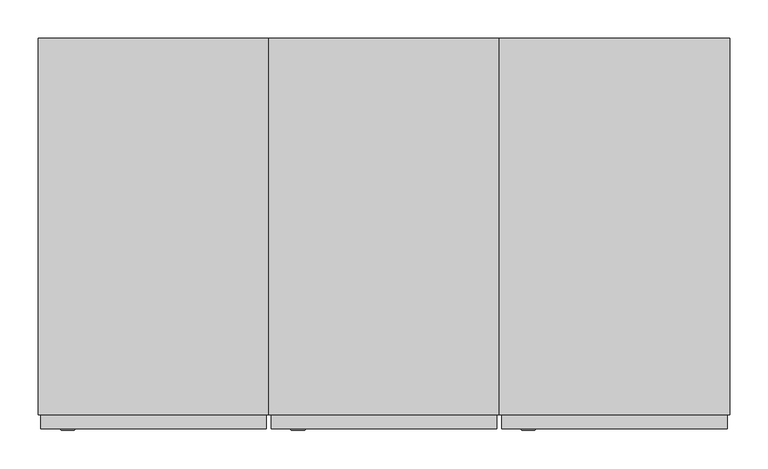
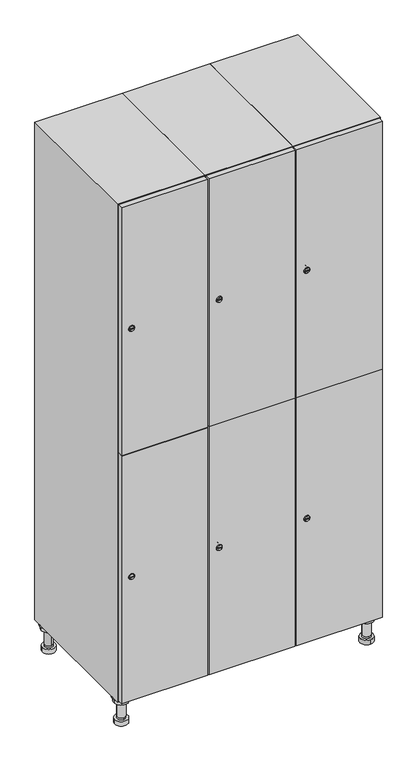
"""IFC4 building model written with IfcOpenShell, lengths in millimetres: furniture geometry."""

from ifc_helpers import new_model, si_unit, point, frame, frame_2d, origin, place, context, project, spatial, polyline, circle_curve, trimmed, segment, composite_curve, outline, extrude, faceted_brep, source, transform, mapped, element, save
from ifc_brep_helpers import plane_surface, cylinder_surface, revolved_surface, advanced_brep


def furniture_6eda93b2(model_context):
    return source(origin(), model_context, "Body", "SolidModel", [
        advanced_brep(
        [(670.0, -201.0, 22.0), (670.0, -201.5, 16.0), (670.0, -228.5, 16.0), (670.0, -229.0, 22.0), (656.0, -215.0, 22.0), (684.0, -215.0, 22.0), (670.0, -192.5, 16.0), (670.0, -237.5, 16.0), (670.0, -192.5, 0.0), (670.0, -237.5, 0.0), (684.0, -215.0, 78.0), (656.0, -215.0, 78.0), (695.0, -215.0, 78.0), (645.0, -215.0, 78.0), (700.0, -215.0, 94.0), (640.0, -215.0, 94.0), (645.0, -215.0, 94.0), (695.0, -215.0, 94.0), (700.0, -215.0, 100.0), (640.0, -215.0, 100.0)],
        [
            (0, 1),
            (1, 2, circle_curve(frame((670.0, -215.0, 16.0), z_axis=(0.0, 0.0, 1.0), x_axis=(0.0, -1.0, 0.0)), 13.5)),
            (2, 3),
            (3, 4, circle_curve(frame((670.0, -215.0, 22.0), z_axis=(0.0, 0.0, -1.0), x_axis=(0.0, -1.0, 0.0)), 14.0)),
            (4, 0, circle_curve(frame((670.0, -215.0, 22.0), z_axis=(0.0, 0.0, -1.0), x_axis=(0.0, -1.0, 0.0)), 14.0)),
            (0, 5, circle_curve(frame((670.0, -215.0, 22.0), z_axis=(0.0, 0.0, -1.0), x_axis=(0.0, 1.0, 0.0)), 14.0)),
            (5, 3, circle_curve(frame((670.0, -215.0, 22.0), z_axis=(0.0, 0.0, -1.0), x_axis=(0.0, 1.0, 0.0)), 14.0)),
            (2, 1, circle_curve(frame((670.0, -215.0, 16.0), z_axis=(0.0, 0.0, 1.0), x_axis=(0.0, 1.0, 0.0)), 13.5)),
            (6, 7, circle_curve(frame((670.0, -215.0, 16.0), z_axis=(0.0, 0.0, 1.0), x_axis=(0.0, -1.0, 0.0)), 22.5)),
            (7, 6, circle_curve(frame((670.0, -215.0, 16.0), z_axis=(0.0, 0.0, 1.0), x_axis=(0.0, -1.0, 0.0)), 22.5)),
            (8, 9, circle_curve(frame((670.0, -215.0, 0.0), z_axis=(0.0, 0.0, -1.0), x_axis=(0.0, -1.0, 0.0)), 22.5)),
            (9, 8, circle_curve(frame((670.0, -215.0, 0.0), z_axis=(0.0, 0.0, -1.0), x_axis=(0.0, -1.0, 0.0)), 22.5)),
            (6, 8),
            (9, 7),
            (5, 10),
            (10, 11, circle_curve(frame((670.0, -215.0, 78.0), z_axis=(0.0, 0.0, -1.0), x_axis=(-1.0, 0.0, 0.0)), 14.0)),
            (11, 4),
            (11, 10, circle_curve(frame((670.0, -215.0, 78.0), z_axis=(0.0, 0.0, -1.0), x_axis=(-1.0, 0.0, 0.0)), 14.0)),
            (12, 13, circle_curve(frame((670.0, -215.0, 78.0), z_axis=(0.0, 0.0, -1.0), x_axis=(-1.0, 0.0, 0.0)), 25.0)),
            (13, 12, circle_curve(frame((670.0, -215.0, 78.0), z_axis=(0.0, 0.0, -1.0), x_axis=(-1.0, 0.0, 0.0)), 25.0)),
            (14, 15, circle_curve(frame((670.0, -215.0, 94.0), z_axis=(0.0, 0.0, -1.0), x_axis=(-1.0, 0.0, 0.0)), 30.0)),
            (15, 14, circle_curve(frame((670.0, -215.0, 94.0), z_axis=(0.0, 0.0, -1.0), x_axis=(-1.0, 0.0, 0.0)), 30.0)),
            (16, 17, circle_curve(frame((670.0, -215.0, 94.0), z_axis=(0.0, 0.0, 1.0), x_axis=(-1.0, 0.0, 0.0)), 25.0)),
            (17, 16, circle_curve(frame((670.0, -215.0, 94.0), z_axis=(0.0, 0.0, 1.0), x_axis=(-1.0, 0.0, 0.0)), 25.0)),
            (18, 19, circle_curve(frame((670.0, -215.0, 100.0), z_axis=(0.0, 0.0, 1.0), x_axis=(-1.0, 0.0, 0.0)), 30.0)),
            (19, 18, circle_curve(frame((670.0, -215.0, 100.0), z_axis=(0.0, 0.0, 1.0), x_axis=(-1.0, 0.0, 0.0)), 30.0)),
            (14, 18),
            (19, 15),
            (12, 17),
            (16, 13),
        ],
        [
            revolved_surface(polyline([(670.0, -201.5, 16.0), (670.0, -201.0, 22.0)]), (670.0, -215.0, -146.0), (0.0, 0.0, 1.0)),
            plane_surface(frame((670.0, 0.0, 16.0), z_axis=(0.0, 0.0, 1.0), x_axis=(0.0, -1.0, 0.0))),
            plane_surface(frame((670.0, 0.0, 0.0), z_axis=(0.0, 0.0, -1.0), x_axis=(0.0, -1.0, 0.0))),
            cylinder_surface(frame((670.0, -215.0, 16.0), z_axis=(0.0, 0.0, 1.0), x_axis=(0.0, -1.0, 0.0)), 22.5),
            cylinder_surface(frame((670.0, -215.0, 22.0), z_axis=(0.0, 0.0, -1.0), x_axis=(-1.0, 0.0, 0.0)), 14.0),
            plane_surface(frame((670.0, 0.0, 78.0), z_axis=(0.0, 0.0, -1.0), x_axis=(0.0, -1.0, 0.0))),
            plane_surface(frame((670.0, 0.0, 94.0), z_axis=(0.0, 0.0, -1.0), x_axis=(0.0, -1.0, 0.0))),
            plane_surface(frame((670.0, 0.0, 100.0), z_axis=(0.0, 0.0, 1.0), x_axis=(0.0, -1.0, 0.0))),
            cylinder_surface(frame((670.0, -215.0, 94.0), z_axis=(0.0, 0.0, -1.0), x_axis=(-1.0, 0.0, 0.0)), 30.0),
            cylinder_surface(frame((670.0, -215.0, 78.0), z_axis=(0.0, 0.0, -1.0), x_axis=(-1.0, 0.0, 0.0)), 25.0),
        ],
        [
            (0, [[1, 2, 3, 4, 5]]),
            (0, [[-1, 6, 7, -3, 8]]),
            (1, [[9, 10], [-2, -8]]),
            (2, [[11, 12]]),
            (3, [[-9, 13, -12, 14]]),
            (3, [[-10, -14, -11, -13]]),
            (4, [[15, 16, 17, -4, -7]]),
            (4, [[-15, -6, -5, -17, 18]]),
            (5, [[19, 20], [-16, -18]]),
            (6, [[21, 22], [23, 24]]),
            (7, [[25, 26]]),
            (8, [[-21, 27, -26, 28]]),
            (8, [[-22, -28, -25, -27]]),
            (9, [[-19, 29, -23, 30]]),
            (9, [[-20, -30, -24, -29]]),
        ],
    ),
        advanced_brep(
        [(-170.0, -201.0, 22.0), (-170.0, -201.5, 16.0), (-170.0, -228.5, 16.0), (-170.0, -229.0, 22.0), (-184.0, -215.0, 22.0), (-156.0, -215.0, 22.0), (-147.5, -215.0, 0.0), (-192.5, -215.0, 0.0), (-147.5, -215.0, 16.0), (-192.5, -215.0, 16.0), (-156.0, -215.0, 78.0), (-184.0, -215.0, 78.0), (-145.0, -215.0, 78.0), (-195.0, -215.0, 78.0), (-140.0, -215.0, 94.0), (-200.0, -215.0, 94.0), (-195.0, -215.0, 94.0), (-145.0, -215.0, 94.0), (-140.0, -215.0, 100.0), (-200.0, -215.0, 100.0)],
        [
            (0, 1),
            (1, 2, circle_curve(frame((-170.0, -215.0, 16.0), z_axis=(0.0, 0.0, 1.0), x_axis=(0.0, -1.0, 0.0)), 13.5)),
            (2, 3),
            (3, 4, circle_curve(frame((-170.0, -215.0, 22.0), z_axis=(0.0, 0.0, -1.0), x_axis=(0.0, -1.0, 0.0)), 14.0)),
            (4, 0, circle_curve(frame((-170.0, -215.0, 22.0), z_axis=(0.0, 0.0, -1.0), x_axis=(0.0, -1.0, 0.0)), 14.0)),
            (0, 5, circle_curve(frame((-170.0, -215.0, 22.0), z_axis=(0.0, 0.0, -1.0), x_axis=(0.0, 1.0, 0.0)), 14.0)),
            (5, 3, circle_curve(frame((-170.0, -215.0, 22.0), z_axis=(0.0, 0.0, -1.0), x_axis=(0.0, 1.0, 0.0)), 14.0)),
            (2, 1, circle_curve(frame((-170.0, -215.0, 16.0), z_axis=(0.0, 0.0, 1.0), x_axis=(0.0, 1.0, 0.0)), 13.5)),
            (6, 7, circle_curve(frame((-170.0, -215.0, 0.0), z_axis=(0.0, 0.0, -1.0), x_axis=(-1.0, 0.0, 0.0)), 22.5)),
            (7, 6, circle_curve(frame((-170.0, -215.0, 0.0), z_axis=(0.0, 0.0, -1.0), x_axis=(-1.0, 0.0, 0.0)), 22.5)),
            (8, 9, circle_curve(frame((-170.0, -215.0, 16.0), z_axis=(0.0, 0.0, 1.0), x_axis=(-1.0, 0.0, 0.0)), 22.5)),
            (9, 8, circle_curve(frame((-170.0, -215.0, 16.0), z_axis=(0.0, 0.0, 1.0), x_axis=(-1.0, 0.0, 0.0)), 22.5)),
            (6, 8),
            (9, 7),
            (5, 10),
            (10, 11, circle_curve(frame((-170.0, -215.0, 78.0), z_axis=(0.0, 0.0, -1.0), x_axis=(-1.0, 0.0, 0.0)), 14.0)),
            (11, 4),
            (11, 10, circle_curve(frame((-170.0, -215.0, 78.0), z_axis=(0.0, 0.0, -1.0), x_axis=(-1.0, 0.0, 0.0)), 14.0)),
            (12, 13, circle_curve(frame((-170.0, -215.0, 78.0), z_axis=(0.0, 0.0, -1.0), x_axis=(-1.0, 0.0, 0.0)), 25.0)),
            (13, 12, circle_curve(frame((-170.0, -215.0, 78.0), z_axis=(0.0, 0.0, -1.0), x_axis=(-1.0, 0.0, 0.0)), 25.0)),
            (14, 15, circle_curve(frame((-170.0, -215.0, 94.0), z_axis=(0.0, 0.0, -1.0), x_axis=(-1.0, 0.0, 0.0)), 30.0)),
            (15, 14, circle_curve(frame((-170.0, -215.0, 94.0), z_axis=(0.0, 0.0, -1.0), x_axis=(-1.0, 0.0, 0.0)), 30.0)),
            (16, 17, circle_curve(frame((-170.0, -215.0, 94.0), z_axis=(0.0, 0.0, 1.0), x_axis=(-1.0, 0.0, 0.0)), 25.0)),
            (17, 16, circle_curve(frame((-170.0, -215.0, 94.0), z_axis=(0.0, 0.0, 1.0), x_axis=(-1.0, 0.0, 0.0)), 25.0)),
            (18, 19, circle_curve(frame((-170.0, -215.0, 100.0), z_axis=(0.0, 0.0, 1.0), x_axis=(-1.0, 0.0, 0.0)), 30.0)),
            (19, 18, circle_curve(frame((-170.0, -215.0, 100.0), z_axis=(0.0, 0.0, 1.0), x_axis=(-1.0, 0.0, 0.0)), 30.0)),
            (14, 18),
            (19, 15),
            (12, 17),
            (16, 13),
        ],
        [
            revolved_surface(polyline([(-170.0, -201.5, 16.0), (-170.0, -201.0, 22.0)]), (-170.0, -215.0, -146.0), (0.0, 0.0, 1.0)),
            plane_surface(frame((-170.0, 0.0, 0.0), z_axis=(0.0, 0.0, -1.0), x_axis=(0.0, -1.0, 0.0))),
            plane_surface(frame((-170.0, 0.0, 16.0), z_axis=(0.0, 0.0, 1.0), x_axis=(0.0, -1.0, 0.0))),
            cylinder_surface(frame((-170.0, -215.0, 0.0), z_axis=(0.0, 0.0, -1.0), x_axis=(-1.0, 0.0, 0.0)), 22.5),
            cylinder_surface(frame((-170.0, -215.0, 22.0), z_axis=(0.0, 0.0, -1.0), x_axis=(-1.0, 0.0, 0.0)), 14.0),
            plane_surface(frame((-170.0, 0.0, 78.0), z_axis=(0.0, 0.0, -1.0), x_axis=(0.0, -1.0, 0.0))),
            plane_surface(frame((-170.0, 0.0, 94.0), z_axis=(0.0, 0.0, -1.0), x_axis=(0.0, -1.0, 0.0))),
            plane_surface(frame((-170.0, 0.0, 100.0), z_axis=(0.0, 0.0, 1.0), x_axis=(0.0, -1.0, 0.0))),
            cylinder_surface(frame((-170.0, -215.0, 94.0), z_axis=(0.0, 0.0, -1.0), x_axis=(-1.0, 0.0, 0.0)), 30.0),
            cylinder_surface(frame((-170.0, -215.0, 78.0), z_axis=(0.0, 0.0, -1.0), x_axis=(-1.0, 0.0, 0.0)), 25.0),
        ],
        [
            (0, [[1, 2, 3, 4, 5]]),
            (0, [[-1, 6, 7, -3, 8]]),
            (1, [[9, 10]]),
            (2, [[11, 12], [-2, -8]]),
            (3, [[-9, 13, -12, 14]]),
            (3, [[-10, -14, -11, -13]]),
            (4, [[15, 16, 17, -4, -7]]),
            (4, [[-15, -6, -5, -17, 18]]),
            (5, [[19, 20], [-16, -18]]),
            (6, [[21, 22], [23, 24]]),
            (7, [[25, 26]]),
            (8, [[-21, 27, -26, 28]]),
            (8, [[-22, -28, -25, -27]]),
            (9, [[-19, 29, -23, 30]]),
            (9, [[-20, -30, -24, -29]]),
        ],
    ),
        advanced_brep(
        [(683.5, 215.0, 16.0), (684.0, 215.0, 22.0), (656.0, 215.0, 22.0), (656.5, 215.0, 16.0), (692.5, 215.0, 0.0), (647.5, 215.0, 0.0), (692.5, 215.0, 16.0), (647.5, 215.0, 16.0), (684.0, 215.0, 78.0), (656.0, 215.0, 78.0), (695.0, 215.0, 78.0), (645.0, 215.0, 78.0), (700.0, 215.0, 94.0), (640.0, 215.0, 94.0), (645.0, 215.0, 94.0), (695.0, 215.0, 94.0), (700.0, 215.0, 100.0), (640.0, 215.0, 100.0)],
        [
            (0, 1),
            (1, 2, circle_curve(frame((670.0, 215.0, 22.0), z_axis=(0.0, 0.0, -1.0), x_axis=(-1.0, 0.0, 0.0)), 14.0)),
            (2, 3),
            (3, 0, circle_curve(frame((670.0, 215.0, 16.0), z_axis=(0.0, 0.0, 1.0), x_axis=(-1.0, 0.0, 0.0)), 13.5)),
            (0, 3, circle_curve(frame((670.0, 215.0, 16.0), z_axis=(0.0, 0.0, 1.0), x_axis=(1.0, 0.0, 0.0)), 13.5)),
            (2, 1, circle_curve(frame((670.0, 215.0, 22.0), z_axis=(0.0, 0.0, -1.0), x_axis=(1.0, 0.0, 0.0)), 14.0)),
            (4, 5, circle_curve(frame((670.0, 215.0, 0.0), z_axis=(0.0, 0.0, -1.0), x_axis=(-1.0, 0.0, 0.0)), 22.5)),
            (5, 4, circle_curve(frame((670.0, 215.0, 0.0), z_axis=(0.0, 0.0, -1.0), x_axis=(-1.0, 0.0, 0.0)), 22.5)),
            (6, 7, circle_curve(frame((670.0, 215.0, 16.0), z_axis=(0.0, 0.0, 1.0), x_axis=(-1.0, 0.0, 0.0)), 22.5)),
            (7, 6, circle_curve(frame((670.0, 215.0, 16.0), z_axis=(0.0, 0.0, 1.0), x_axis=(-1.0, 0.0, 0.0)), 22.5)),
            (4, 6),
            (7, 5),
            (1, 8),
            (8, 9, circle_curve(frame((670.0, 215.0, 78.0), z_axis=(0.0, 0.0, -1.0), x_axis=(-1.0, 0.0, 0.0)), 14.0)),
            (9, 2),
            (9, 8, circle_curve(frame((670.0, 215.0, 78.0), z_axis=(0.0, 0.0, -1.0), x_axis=(-1.0, 0.0, 0.0)), 14.0)),
            (10, 11, circle_curve(frame((670.0, 215.0, 78.0), z_axis=(0.0, 0.0, -1.0), x_axis=(-1.0, 0.0, 0.0)), 25.0)),
            (11, 10, circle_curve(frame((670.0, 215.0, 78.0), z_axis=(0.0, 0.0, -1.0), x_axis=(-1.0, 0.0, 0.0)), 25.0)),
            (12, 13, circle_curve(frame((670.0, 215.0, 94.0), z_axis=(0.0, 0.0, -1.0), x_axis=(-1.0, 0.0, 0.0)), 30.0)),
            (13, 12, circle_curve(frame((670.0, 215.0, 94.0), z_axis=(0.0, 0.0, -1.0), x_axis=(-1.0, 0.0, 0.0)), 30.0)),
            (14, 15, circle_curve(frame((670.0, 215.0, 94.0), z_axis=(0.0, 0.0, 1.0), x_axis=(-1.0, 0.0, 0.0)), 25.0)),
            (15, 14, circle_curve(frame((670.0, 215.0, 94.0), z_axis=(0.0, 0.0, 1.0), x_axis=(-1.0, 0.0, 0.0)), 25.0)),
            (16, 17, circle_curve(frame((670.0, 215.0, 100.0), z_axis=(0.0, 0.0, 1.0), x_axis=(-1.0, 0.0, 0.0)), 30.0)),
            (17, 16, circle_curve(frame((670.0, 215.0, 100.0), z_axis=(0.0, 0.0, 1.0), x_axis=(-1.0, 0.0, 0.0)), 30.0)),
            (12, 16),
            (17, 13),
            (10, 15),
            (14, 11),
        ],
        [
            revolved_surface(polyline([(683.5, 215.0, 16.0), (684.0, 215.0, 22.0)]), (670.0, 215.0, -146.0), (0.0, 0.0, 1.0)),
            plane_surface(frame((670.0, 0.0, 0.0), z_axis=(0.0, 0.0, -1.0), x_axis=(0.0, -1.0, 0.0))),
            plane_surface(frame((670.0, 0.0, 16.0), z_axis=(0.0, 0.0, 1.0), x_axis=(0.0, -1.0, 0.0))),
            cylinder_surface(frame((670.0, 215.0, 0.0), z_axis=(0.0, 0.0, -1.0), x_axis=(-1.0, 0.0, 0.0)), 22.5),
            cylinder_surface(frame((670.0, 215.0, 22.0), z_axis=(0.0, 0.0, -1.0), x_axis=(-1.0, 0.0, 0.0)), 14.0),
            plane_surface(frame((670.0, 0.0, 78.0), z_axis=(0.0, 0.0, -1.0), x_axis=(0.0, -1.0, 0.0))),
            plane_surface(frame((670.0, 0.0, 94.0), z_axis=(0.0, 0.0, -1.0), x_axis=(0.0, -1.0, 0.0))),
            plane_surface(frame((670.0, 0.0, 100.0), z_axis=(0.0, 0.0, 1.0), x_axis=(0.0, -1.0, 0.0))),
            cylinder_surface(frame((670.0, 215.0, 94.0), z_axis=(0.0, 0.0, -1.0), x_axis=(-1.0, 0.0, 0.0)), 30.0),
            cylinder_surface(frame((670.0, 215.0, 78.0), z_axis=(0.0, 0.0, -1.0), x_axis=(-1.0, 0.0, 0.0)), 25.0),
        ],
        [
            (0, [[1, 2, 3, 4]]),
            (0, [[-1, 5, -3, 6]]),
            (1, [[7, 8]]),
            (2, [[9, 10], [-4, -5]]),
            (3, [[-7, 11, -10, 12]]),
            (3, [[-8, -12, -9, -11]]),
            (4, [[13, 14, 15, -2]]),
            (4, [[-13, -6, -15, 16]]),
            (5, [[17, 18], [-14, -16]]),
            (6, [[19, 20], [21, 22]]),
            (7, [[23, 24]]),
            (8, [[-19, 25, -24, 26]]),
            (8, [[-20, -26, -23, -25]]),
            (9, [[-17, 27, -21, 28]]),
            (9, [[-18, -28, -22, -27]]),
        ],
    ),
        advanced_brep(
        [(-156.5, 215.0, 16.0), (-156.0, 215.0, 22.0), (-170.0, 201.0, 22.0), (-184.0, 215.0, 22.0), (-183.5, 215.0, 16.0), (-170.0, 229.0, 22.0), (-147.5, 215.0, 0.0), (-192.5, 215.0, 0.0), (-147.5, 215.0, 16.0), (-192.5, 215.0, 16.0), (-170.0, 229.0, 78.0), (-170.0, 201.0, 78.0), (-145.0, 215.0, 78.0), (-195.0, 215.0, 78.0), (-140.0, 215.0, 94.0), (-200.0, 215.0, 94.0), (-195.0, 215.0, 94.0), (-145.0, 215.0, 94.0), (-140.0, 215.0, 100.0), (-200.0, 215.0, 100.0)],
        [
            (0, 1),
            (1, 2, circle_curve(frame((-170.0, 215.0, 22.0), z_axis=(0.0, 0.0, -1.0), x_axis=(-1.0, 0.0, 0.0)), 14.0)),
            (2, 3, circle_curve(frame((-170.0, 215.0, 22.0), z_axis=(0.0, 0.0, -1.0), x_axis=(-1.0, 0.0, 0.0)), 14.0)),
            (3, 4),
            (4, 0, circle_curve(frame((-170.0, 215.0, 16.0), z_axis=(0.0, 0.0, 1.0), x_axis=(-1.0, 0.0, 0.0)), 13.5)),
            (0, 4, circle_curve(frame((-170.0, 215.0, 16.0), z_axis=(0.0, 0.0, 1.0), x_axis=(1.0, 0.0, 0.0)), 13.5)),
            (3, 5, circle_curve(frame((-170.0, 215.0, 22.0), z_axis=(0.0, 0.0, -1.0), x_axis=(1.0, 0.0, 0.0)), 14.0)),
            (5, 1, circle_curve(frame((-170.0, 215.0, 22.0), z_axis=(0.0, 0.0, -1.0), x_axis=(1.0, 0.0, 0.0)), 14.0)),
            (6, 7, circle_curve(frame((-170.0, 215.0, 0.0), z_axis=(0.0, 0.0, -1.0), x_axis=(-1.0, 0.0, 0.0)), 22.5)),
            (7, 6, circle_curve(frame((-170.0, 215.0, 0.0), z_axis=(0.0, 0.0, -1.0), x_axis=(-1.0, 0.0, 0.0)), 22.5)),
            (8, 9, circle_curve(frame((-170.0, 215.0, 16.0), z_axis=(0.0, 0.0, 1.0), x_axis=(-1.0, 0.0, 0.0)), 22.5)),
            (9, 8, circle_curve(frame((-170.0, 215.0, 16.0), z_axis=(0.0, 0.0, 1.0), x_axis=(-1.0, 0.0, 0.0)), 22.5)),
            (6, 8),
            (9, 7),
            (10, 5),
            (2, 11),
            (11, 10, circle_curve(frame((-170.0, 215.0, 78.0), z_axis=(0.0, 0.0, -1.0), x_axis=(0.0, -1.0, 0.0)), 14.0)),
            (10, 11, circle_curve(frame((-170.0, 215.0, 78.0), z_axis=(0.0, 0.0, -1.0), x_axis=(0.0, -1.0, 0.0)), 14.0)),
            (12, 13, circle_curve(frame((-170.0, 215.0, 78.0), z_axis=(0.0, 0.0, -1.0), x_axis=(-1.0, 0.0, 0.0)), 25.0)),
            (13, 12, circle_curve(frame((-170.0, 215.0, 78.0), z_axis=(0.0, 0.0, -1.0), x_axis=(-1.0, 0.0, 0.0)), 25.0)),
            (14, 15, circle_curve(frame((-170.0, 215.0, 94.0), z_axis=(0.0, 0.0, -1.0), x_axis=(-1.0, 0.0, 0.0)), 30.0)),
            (15, 14, circle_curve(frame((-170.0, 215.0, 94.0), z_axis=(0.0, 0.0, -1.0), x_axis=(-1.0, 0.0, 0.0)), 30.0)),
            (16, 17, circle_curve(frame((-170.0, 215.0, 94.0), z_axis=(0.0, 0.0, 1.0), x_axis=(-1.0, 0.0, 0.0)), 25.0)),
            (17, 16, circle_curve(frame((-170.0, 215.0, 94.0), z_axis=(0.0, 0.0, 1.0), x_axis=(-1.0, 0.0, 0.0)), 25.0)),
            (18, 19, circle_curve(frame((-170.0, 215.0, 100.0), z_axis=(0.0, 0.0, 1.0), x_axis=(-1.0, 0.0, 0.0)), 30.0)),
            (19, 18, circle_curve(frame((-170.0, 215.0, 100.0), z_axis=(0.0, 0.0, 1.0), x_axis=(-1.0, 0.0, 0.0)), 30.0)),
            (14, 18),
            (19, 15),
            (12, 17),
            (16, 13),
        ],
        [
            revolved_surface(polyline([(-156.5, 215.0, 16.0), (-156.0, 215.0, 22.0)]), (-170.0, 215.0, -146.0), (0.0, 0.0, 1.0)),
            plane_surface(frame((-170.0, 0.0, 0.0), z_axis=(0.0, 0.0, -1.0), x_axis=(0.0, -1.0, 0.0))),
            plane_surface(frame((-170.0, 0.0, 16.0), z_axis=(0.0, 0.0, 1.0), x_axis=(0.0, -1.0, 0.0))),
            cylinder_surface(frame((-170.0, 215.0, 0.0), z_axis=(0.0, 0.0, -1.0), x_axis=(-1.0, 0.0, 0.0)), 22.5),
            cylinder_surface(frame((-170.0, 215.0, 78.0), z_axis=(0.0, 0.0, 1.0), x_axis=(0.0, -1.0, 0.0)), 14.0),
            plane_surface(frame((-170.0, 0.0, 78.0), z_axis=(0.0, 0.0, -1.0), x_axis=(0.0, -1.0, 0.0))),
            plane_surface(frame((-170.0, 0.0, 94.0), z_axis=(0.0, 0.0, -1.0), x_axis=(0.0, -1.0, 0.0))),
            plane_surface(frame((-170.0, 0.0, 100.0), z_axis=(0.0, 0.0, 1.0), x_axis=(0.0, -1.0, 0.0))),
            cylinder_surface(frame((-170.0, 215.0, 94.0), z_axis=(0.0, 0.0, -1.0), x_axis=(-1.0, 0.0, 0.0)), 30.0),
            cylinder_surface(frame((-170.0, 215.0, 78.0), z_axis=(0.0, 0.0, -1.0), x_axis=(-1.0, 0.0, 0.0)), 25.0),
        ],
        [
            (0, [[1, 2, 3, 4, 5]]),
            (0, [[-1, 6, -4, 7, 8]]),
            (1, [[9, 10]]),
            (2, [[11, 12], [-5, -6]]),
            (3, [[-9, 13, -12, 14]]),
            (3, [[-10, -14, -11, -13]]),
            (4, [[15, -7, -3, 16, 17]]),
            (4, [[-15, 18, -16, -2, -8]]),
            (5, [[19, 20], [-17, -18]]),
            (6, [[21, 22], [23, 24]]),
            (7, [[25, 26]]),
            (8, [[-21, 27, -26, 28]]),
            (8, [[-22, -28, -25, -27]]),
            (9, [[-19, 29, -23, 30]]),
            (9, [[-20, -30, -24, -29]]),
        ],
    ),
        extrude(outline(composite_curve([segment(trimmed(circle_curve(frame_2d((551.5, 411.2010534)), 7.0), [point((558.5, 411.2010534))], [point((544.5, 411.2010534))], False, "CARTESIAN"), True, "CONTINUOUS"), segment(polyline([(544.5, 411.2010534), (544.5, 439.2010534)]), True, "CONTINUOUS"), segment(trimmed(circle_curve(frame_2d((551.5, 439.2010534)), 7.0), [point((544.5, 439.2010534))], [point((558.5, 439.2010534))], False, "CARTESIAN"), True, "CONTINUOUS"), segment(polyline([(558.5, 439.2010534), (558.5, 411.2010534)]), True, "CONTINUOUS")], self_intersect=False)), frame((0.0, -245.0, 0.0), z_axis=(0.0, 1.0, 0.0), x_axis=(0.0, 0.0, 1.0)), (0.0, 0.0, 1.0), 2.0),
        advanced_brep(
        [(446.5, -265.2, 551.5), (429.5, -265.2, 551.5), (433.0, -265.2, 550.25), (433.0, -265.2, 552.75), (443.0, -265.2, 552.75), (443.0, -265.2, 550.25), (448.5, -263.0, 551.5), (427.5, -263.0, 551.5), (433.0, -263.0, 552.75), (433.0, -263.0, 550.25), (443.0, -263.0, 550.25), (443.0, -263.0, 552.75)],
        [
            (0, 1, circle_curve(frame((438.0, -265.2, 551.5), z_axis=(0.0, -1.0, 0.0), x_axis=(1.0, 0.0, 0.0)), 8.5)),
            (1, 0, circle_curve(frame((438.0, -265.2, 551.5), z_axis=(0.0, -1.0, 0.0), x_axis=(-1.0, 0.0, 0.0)), 8.5)),
            (2, 3),
            (3, 4),
            (4, 5),
            (5, 2),
            (6, 7, circle_curve(frame((438.0, -263.0, 551.5), z_axis=(0.0, 1.0, 0.0), x_axis=(-1.0, 0.0, 0.0)), 10.5)),
            (7, 6, circle_curve(frame((438.0, -263.0, 551.5), z_axis=(0.0, 1.0, 0.0), x_axis=(1.0, 0.0, 0.0)), 10.5)),
            (8, 9),
            (9, 10),
            (10, 11),
            (11, 8),
            (0, 6),
            (7, 1),
            (8, 3),
            (2, 9),
            (11, 4),
            (10, 5),
        ],
        [
            plane_surface(frame((438.0, -265.2, 551.5), z_axis=(0.0, -1.0, 0.0), x_axis=(0.0, 0.0, 1.0))),
            plane_surface(frame((438.0, -263.0, 551.5), z_axis=(0.0, 1.0, 0.0), x_axis=(0.0, 0.0, 1.0))),
            revolved_surface(polyline([(446.5, -265.2, 551.5), (448.5, -263.0, 551.5)]), (438.0, -274.55, 551.5), (0.0, 1.0, 0.0)),
            revolved_surface(polyline([(429.5, -265.2, 551.5), (427.5, -263.0, 551.5)]), (438.0, -274.55, 551.5), (0.0, 1.0, 0.0)),
            plane_surface(frame((433.0, -263.0, 550.25), z_axis=(1.0, 0.0, 0.0), x_axis=(0.0, -1.0, 0.0))),
            plane_surface(frame((433.0, -263.0, 552.75), z_axis=(0.0, 0.0, -1.0), x_axis=(0.0, -1.0, 0.0))),
            plane_surface(frame((443.0, -263.0, 552.75), z_axis=(-1.0, 0.0, 0.0), x_axis=(0.0, -1.0, 0.0))),
            plane_surface(frame((443.0, -263.0, 550.25), z_axis=(0.0, 0.0, 1.0), x_axis=(0.0, -1.0, 0.0))),
        ],
        [
            (0, [[1, 2], [3, 4, 5, 6]]),
            (1, [[7, 8], [9, 10, 11, 12]]),
            (2, [[-1, 13, -8, 14]]),
            (3, [[-2, -14, -7, -13]]),
            (4, [[15, -3, 16, -9]]),
            (5, [[-15, -12, 17, -4]]),
            (6, [[-17, -11, 18, -5]]),
            (7, [[-16, -6, -18, -10]]),
        ],
    ),
        extrude(outline(composite_curve([segment(trimmed(circle_curve(frame_2d((1448.5, 411.2010534)), 7.0), [point((1455.5, 411.2010534))], [point((1441.5, 411.2010534))], False, "CARTESIAN"), True, "CONTINUOUS"), segment(polyline([(1441.5, 411.2010534), (1441.5, 439.2010534)]), True, "CONTINUOUS"), segment(trimmed(circle_curve(frame_2d((1448.5, 439.2010534)), 7.0), [point((1441.5, 439.2010534))], [point((1455.5, 439.2010534))], False, "CARTESIAN"), True, "CONTINUOUS"), segment(polyline([(1455.5, 439.2010534), (1455.5, 411.2010534)]), True, "CONTINUOUS")], self_intersect=False)), frame((0.0, -245.0, 0.0), z_axis=(0.0, 1.0, 0.0), x_axis=(0.0, 0.0, 1.0)), (0.0, 0.0, 1.0), 2.0),
        advanced_brep(
        [(446.5, -265.2, 1448.5), (429.5, -265.2, 1448.5), (433.0, -265.2, 1447.25), (433.0, -265.2, 1449.75), (443.0, -265.2, 1449.75), (443.0, -265.2, 1447.25), (448.5, -263.0, 1448.5), (427.5, -263.0, 1448.5), (433.0, -263.0, 1449.75), (433.0, -263.0, 1447.25), (443.0, -263.0, 1447.25), (443.0, -263.0, 1449.75)],
        [
            (0, 1, circle_curve(frame((438.0, -265.2, 1448.5), z_axis=(0.0, -1.0, 0.0), x_axis=(1.0, 0.0, 0.0)), 8.5)),
            (1, 0, circle_curve(frame((438.0, -265.2, 1448.5), z_axis=(0.0, -1.0, 0.0), x_axis=(-1.0, 0.0, 0.0)), 8.5)),
            (2, 3),
            (3, 4),
            (4, 5),
            (5, 2),
            (6, 7, circle_curve(frame((438.0, -263.0, 1448.5), z_axis=(0.0, 1.0, 0.0), x_axis=(-1.0, 0.0, 0.0)), 10.5)),
            (7, 6, circle_curve(frame((438.0, -263.0, 1448.5), z_axis=(0.0, 1.0, 0.0), x_axis=(1.0, 0.0, 0.0)), 10.5)),
            (8, 9),
            (9, 10),
            (10, 11),
            (11, 8),
            (0, 6),
            (7, 1),
            (8, 3),
            (2, 9),
            (11, 4),
            (10, 5),
        ],
        [
            plane_surface(frame((438.0, -265.2, 1448.5), z_axis=(0.0, -1.0, 0.0), x_axis=(0.0, 0.0, 1.0))),
            plane_surface(frame((438.0, -263.0, 1448.5), z_axis=(0.0, 1.0, 0.0), x_axis=(0.0, 0.0, 1.0))),
            revolved_surface(polyline([(446.5, -265.2, 1448.5), (448.5, -263.0, 1448.5)]), (438.0, -274.55, 1448.5), (0.0, 1.0, 0.0)),
            revolved_surface(polyline([(429.5, -265.2, 1448.5), (427.5, -263.0, 1448.5)]), (438.0, -274.55, 1448.5), (0.0, 1.0, 0.0)),
            plane_surface(frame((433.0, -263.0, 1447.25), z_axis=(1.0, 0.0, 0.0), x_axis=(0.0, -1.0, 0.0))),
            plane_surface(frame((433.0, -263.0, 1449.75), z_axis=(0.0, 0.0, -1.0), x_axis=(0.0, -1.0, 0.0))),
            plane_surface(frame((443.0, -263.0, 1449.75), z_axis=(-1.0, 0.0, 0.0), x_axis=(0.0, -1.0, 0.0))),
            plane_surface(frame((443.0, -263.0, 1447.25), z_axis=(0.0, 0.0, 1.0), x_axis=(0.0, -1.0, 0.0))),
        ],
        [
            (0, [[1, 2], [3, 4, 5, 6]]),
            (1, [[7, 8], [9, 10, 11, 12]]),
            (2, [[-1, 13, -8, 14]]),
            (3, [[-2, -14, -7, -13]]),
            (4, [[15, -3, 16, -9]]),
            (5, [[-15, -12, 17, -4]]),
            (6, [[-17, -11, 18, -5]]),
            (7, [[-16, -6, -18, -10]]),
        ],
    ),
        extrude(outline(polyline([(403.0, -263.0), (403.0, -245.0), (697.0, -245.0), (697.0, -263.0), (403.0, -263.0)])), frame((0.0, 0.0, 103.0), z_axis=(0.0, 0.0, 1.0), x_axis=(1.0, 0.0, 0.0)), (0.0, 0.0, 1.0), 896.5),
        extrude(outline(polyline([(697.0, -245.0), (697.0, -263.0), (403.0, -263.0), (403.0, -245.0), (697.0, -245.0)])), frame((0.0, 0.0, 1000.5), z_axis=(0.0, 0.0, 1.0), x_axis=(1.0, 0.0, 0.0)), (0.0, 0.0, 1.0), 896.5),
        extrude(outline(polyline([(682.0, 227.0), (682.0, -227.0), (418.0, -227.0), (418.0, 227.0), (682.0, 227.0)])), frame((0.0, 0.0, 991.0), z_axis=(0.0, 0.0, 1.0), x_axis=(1.0, 0.0, 0.0)), (0.0, 0.0, 1.0), 18.0),
        faceted_brep([(700.0, -245.0, 100.0), (700.0, -245.0, 1900.0), (400.0, -245.0, 1900.0), (400.0, -245.0, 100.0), (682.0, -245.0, 1882.0), (682.0, -245.0, 118.0), (418.0, -245.0, 118.0), (418.0, -245.0, 1882.0), (700.0, 245.0, 100.0), (400.0, 245.0, 100.0), (700.0, 245.0, 1900.0), (400.0, 245.0, 1900.0), (682.0, 227.0, 1882.0), (682.0, 227.0, 118.0), (400.0, 245.0, 1882.0), (418.0, 227.0, 1882.0), (418.0, 227.0, 118.0)], [[[0, 1, 2, 3], [4, 5, 6, 7]], [[8, 0, 3, 9]], [[1, 0, 8, 10]], [[1, 10, 11, 2]], [[4, 12, 13, 5]], [[9, 3, 2, 11, 14]], [[10, 8, 9, 14, 11]], [[12, 15, 16, 13]], [[15, 7, 6, 16]], [[4, 7, 15, 12]], [[6, 5, 13, 16]]]),
        extrude(outline(composite_curve([segment(trimmed(circle_curve(frame_2d((551.5, 111.2010534)), 7.0), [point((558.5, 111.2010534))], [point((544.5, 111.2010534))], False, "CARTESIAN"), True, "CONTINUOUS"), segment(polyline([(544.5, 111.2010534), (544.5, 139.2010534)]), True, "CONTINUOUS"), segment(trimmed(circle_curve(frame_2d((551.5, 139.2010534)), 7.0), [point((544.5, 139.2010534))], [point((558.5, 139.2010534))], False, "CARTESIAN"), True, "CONTINUOUS"), segment(polyline([(558.5, 139.2010534), (558.5, 111.2010534)]), True, "CONTINUOUS")], self_intersect=False)), frame((0.0, -245.0, 0.0), z_axis=(0.0, 1.0, 0.0), x_axis=(0.0, 0.0, 1.0)), (0.0, 0.0, 1.0), 2.0),
        advanced_brep(
        [(146.5, -265.2, 551.5), (129.5, -265.2, 551.5), (133.0, -265.2, 550.25), (133.0, -265.2, 552.75), (143.0, -265.2, 552.75), (143.0, -265.2, 550.25), (148.5, -263.0, 551.5), (127.5, -263.0, 551.5), (133.0, -263.0, 552.75), (133.0, -263.0, 550.25), (143.0, -263.0, 550.25), (143.0, -263.0, 552.75)],
        [
            (0, 1, circle_curve(frame((138.0, -265.2, 551.5), z_axis=(0.0, -1.0, 0.0), x_axis=(1.0, 0.0, 0.0)), 8.5)),
            (1, 0, circle_curve(frame((138.0, -265.2, 551.5), z_axis=(0.0, -1.0, 0.0), x_axis=(-1.0, 0.0, 0.0)), 8.5)),
            (2, 3),
            (3, 4),
            (4, 5),
            (5, 2),
            (6, 7, circle_curve(frame((138.0, -263.0, 551.5), z_axis=(0.0, 1.0, 0.0), x_axis=(-1.0, 0.0, 0.0)), 10.5)),
            (7, 6, circle_curve(frame((138.0, -263.0, 551.5), z_axis=(0.0, 1.0, 0.0), x_axis=(1.0, 0.0, 0.0)), 10.5)),
            (8, 9),
            (9, 10),
            (10, 11),
            (11, 8),
            (0, 6),
            (7, 1),
            (8, 3),
            (2, 9),
            (11, 4),
            (10, 5),
        ],
        [
            plane_surface(frame((138.0, -265.2, 551.5), z_axis=(0.0, -1.0, 0.0), x_axis=(0.0, 0.0, 1.0))),
            plane_surface(frame((138.0, -263.0, 551.5), z_axis=(0.0, 1.0, 0.0), x_axis=(0.0, 0.0, 1.0))),
            revolved_surface(polyline([(146.5, -265.2, 551.5), (148.5, -263.0, 551.5)]), (138.0, -274.55, 551.5), (0.0, 1.0, 0.0)),
            revolved_surface(polyline([(129.5, -265.2, 551.5), (127.5, -263.0, 551.5)]), (138.0, -274.55, 551.5), (0.0, 1.0, 0.0)),
            plane_surface(frame((133.0, -263.0, 550.25), z_axis=(1.0, 0.0, 0.0), x_axis=(0.0, -1.0, 0.0))),
            plane_surface(frame((133.0, -263.0, 552.75), z_axis=(0.0, 0.0, -1.0), x_axis=(0.0, -1.0, 0.0))),
            plane_surface(frame((143.0, -263.0, 552.75), z_axis=(-1.0, 0.0, 0.0), x_axis=(0.0, -1.0, 0.0))),
            plane_surface(frame((143.0, -263.0, 550.25), z_axis=(0.0, 0.0, 1.0), x_axis=(0.0, -1.0, 0.0))),
        ],
        [
            (0, [[1, 2], [3, 4, 5, 6]]),
            (1, [[7, 8], [9, 10, 11, 12]]),
            (2, [[-1, 13, -8, 14]]),
            (3, [[-2, -14, -7, -13]]),
            (4, [[15, -3, 16, -9]]),
            (5, [[-15, -12, 17, -4]]),
            (6, [[-17, -11, 18, -5]]),
            (7, [[-16, -6, -18, -10]]),
        ],
    ),
        extrude(outline(composite_curve([segment(trimmed(circle_curve(frame_2d((1448.5, 111.2010534)), 7.0), [point((1455.5, 111.2010534))], [point((1441.5, 111.2010534))], False, "CARTESIAN"), True, "CONTINUOUS"), segment(polyline([(1441.5, 111.2010534), (1441.5, 139.2010534)]), True, "CONTINUOUS"), segment(trimmed(circle_curve(frame_2d((1448.5, 139.2010534)), 7.0), [point((1441.5, 139.2010534))], [point((1455.5, 139.2010534))], False, "CARTESIAN"), True, "CONTINUOUS"), segment(polyline([(1455.5, 139.2010534), (1455.5, 111.2010534)]), True, "CONTINUOUS")], self_intersect=False)), frame((0.0, -245.0, 0.0), z_axis=(0.0, 1.0, 0.0), x_axis=(0.0, 0.0, 1.0)), (0.0, 0.0, 1.0), 2.0),
        advanced_brep(
        [(146.5, -265.2, 1448.5), (129.5, -265.2, 1448.5), (133.0, -265.2, 1447.25), (133.0, -265.2, 1449.75), (143.0, -265.2, 1449.75), (143.0, -265.2, 1447.25), (148.5, -263.0, 1448.5), (127.5, -263.0, 1448.5), (133.0, -263.0, 1449.75), (133.0, -263.0, 1447.25), (143.0, -263.0, 1447.25), (143.0, -263.0, 1449.75)],
        [
            (0, 1, circle_curve(frame((138.0, -265.2, 1448.5), z_axis=(0.0, -1.0, 0.0), x_axis=(1.0, 0.0, 0.0)), 8.5)),
            (1, 0, circle_curve(frame((138.0, -265.2, 1448.5), z_axis=(0.0, -1.0, 0.0), x_axis=(-1.0, 0.0, 0.0)), 8.5)),
            (2, 3),
            (3, 4),
            (4, 5),
            (5, 2),
            (6, 7, circle_curve(frame((138.0, -263.0, 1448.5), z_axis=(0.0, 1.0, 0.0), x_axis=(-1.0, 0.0, 0.0)), 10.5)),
            (7, 6, circle_curve(frame((138.0, -263.0, 1448.5), z_axis=(0.0, 1.0, 0.0), x_axis=(1.0, 0.0, 0.0)), 10.5)),
            (8, 9),
            (9, 10),
            (10, 11),
            (11, 8),
            (0, 6),
            (7, 1),
            (8, 3),
            (2, 9),
            (11, 4),
            (10, 5),
        ],
        [
            plane_surface(frame((138.0, -265.2, 1448.5), z_axis=(0.0, -1.0, 0.0), x_axis=(0.0, 0.0, 1.0))),
            plane_surface(frame((138.0, -263.0, 1448.5), z_axis=(0.0, 1.0, 0.0), x_axis=(0.0, 0.0, 1.0))),
            revolved_surface(polyline([(146.5, -265.2, 1448.5), (148.5, -263.0, 1448.5)]), (138.0, -274.55, 1448.5), (0.0, 1.0, 0.0)),
            revolved_surface(polyline([(129.5, -265.2, 1448.5), (127.5, -263.0, 1448.5)]), (138.0, -274.55, 1448.5), (0.0, 1.0, 0.0)),
            plane_surface(frame((133.0, -263.0, 1447.25), z_axis=(1.0, 0.0, 0.0), x_axis=(0.0, -1.0, 0.0))),
            plane_surface(frame((133.0, -263.0, 1449.75), z_axis=(0.0, 0.0, -1.0), x_axis=(0.0, -1.0, 0.0))),
            plane_surface(frame((143.0, -263.0, 1449.75), z_axis=(-1.0, 0.0, 0.0), x_axis=(0.0, -1.0, 0.0))),
            plane_surface(frame((143.0, -263.0, 1447.25), z_axis=(0.0, 0.0, 1.0), x_axis=(0.0, -1.0, 0.0))),
        ],
        [
            (0, [[1, 2], [3, 4, 5, 6]]),
            (1, [[7, 8], [9, 10, 11, 12]]),
            (2, [[-1, 13, -8, 14]]),
            (3, [[-2, -14, -7, -13]]),
            (4, [[15, -3, 16, -9]]),
            (5, [[-15, -12, 17, -4]]),
            (6, [[-17, -11, 18, -5]]),
            (7, [[-16, -6, -18, -10]]),
        ],
    ),
        extrude(outline(polyline([(103.0, -263.0), (103.0, -245.0), (397.0, -245.0), (397.0, -263.0), (103.0, -263.0)])), frame((0.0, 0.0, 103.0), z_axis=(0.0, 0.0, 1.0), x_axis=(1.0, 0.0, 0.0)), (0.0, 0.0, 1.0), 896.5),
        extrude(outline(polyline([(397.0, -245.0), (397.0, -263.0), (103.0, -263.0), (103.0, -245.0), (397.0, -245.0)])), frame((0.0, 0.0, 1000.5), z_axis=(0.0, 0.0, 1.0), x_axis=(1.0, 0.0, 0.0)), (0.0, 0.0, 1.0), 896.5),
        extrude(outline(polyline([(382.0, 227.0), (382.0, -227.0), (118.0, -227.0), (118.0, 227.0), (382.0, 227.0)])), frame((0.0, 0.0, 991.0), z_axis=(0.0, 0.0, 1.0), x_axis=(1.0, 0.0, 0.0)), (0.0, 0.0, 1.0), 18.0),
        faceted_brep([(400.0, -245.0, 100.0), (400.0, -245.0, 1900.0), (100.0, -245.0, 1900.0), (100.0, -245.0, 100.0), (382.0, -245.0, 1882.0), (382.0, -245.0, 118.0), (118.0, -245.0, 118.0), (118.0, -245.0, 1882.0), (400.0, 245.0, 100.0), (100.0, 245.0, 100.0), (400.0, 245.0, 1900.0), (100.0, 245.0, 1900.0), (382.0, 227.0, 1882.0), (382.0, 227.0, 118.0), (100.0, 245.0, 1882.0), (118.0, 227.0, 1882.0), (118.0, 227.0, 118.0)], [[[0, 1, 2, 3], [4, 5, 6, 7]], [[8, 0, 3, 9]], [[1, 0, 8, 10]], [[1, 10, 11, 2]], [[4, 12, 13, 5]], [[9, 3, 2, 11, 14]], [[10, 8, 9, 14, 11]], [[12, 15, 16, 13]], [[15, 7, 6, 16]], [[4, 7, 15, 12]], [[6, 5, 13, 16]]]),
        extrude(outline(composite_curve([segment(trimmed(circle_curve(frame_2d((551.5, -188.7989466)), 7.0), [point((558.5, -188.7989466))], [point((544.5, -188.7989466))], False, "CARTESIAN"), True, "CONTINUOUS"), segment(polyline([(544.5, -188.7989466), (544.5, -160.7989466)]), True, "CONTINUOUS"), segment(trimmed(circle_curve(frame_2d((551.5, -160.7989466)), 7.0), [point((544.5, -160.7989466))], [point((558.5, -160.7989466))], False, "CARTESIAN"), True, "CONTINUOUS"), segment(polyline([(558.5, -160.7989466), (558.5, -188.7989466)]), True, "CONTINUOUS")], self_intersect=False)), frame((0.0, -245.0, 0.0), z_axis=(0.0, 1.0, 0.0), x_axis=(0.0, 0.0, 1.0)), (0.0, 0.0, 1.0), 2.0),
        advanced_brep(
        [(-153.5, -265.2, 551.5), (-170.5, -265.2, 551.5), (-167.0, -265.2, 550.25), (-167.0, -265.2, 552.75), (-157.0, -265.2, 552.75), (-157.0, -265.2, 550.25), (-151.5, -263.0, 551.5), (-172.5, -263.0, 551.5), (-167.0, -263.0, 552.75), (-167.0, -263.0, 550.25), (-157.0, -263.0, 550.25), (-157.0, -263.0, 552.75)],
        [
            (0, 1, circle_curve(frame((-162.0, -265.2, 551.5), z_axis=(0.0, -1.0, 0.0), x_axis=(1.0, 0.0, 0.0)), 8.5)),
            (1, 0, circle_curve(frame((-162.0, -265.2, 551.5), z_axis=(0.0, -1.0, 0.0), x_axis=(-1.0, 0.0, 0.0)), 8.5)),
            (2, 3),
            (3, 4),
            (4, 5),
            (5, 2),
            (6, 7, circle_curve(frame((-162.0, -263.0, 551.5), z_axis=(0.0, 1.0, 0.0), x_axis=(-1.0, 0.0, 0.0)), 10.5)),
            (7, 6, circle_curve(frame((-162.0, -263.0, 551.5), z_axis=(0.0, 1.0, 0.0), x_axis=(1.0, 0.0, 0.0)), 10.5)),
            (8, 9),
            (9, 10),
            (10, 11),
            (11, 8),
            (0, 6),
            (7, 1),
            (8, 3),
            (2, 9),
            (11, 4),
            (10, 5),
        ],
        [
            plane_surface(frame((-162.0, -265.2, 551.5), z_axis=(0.0, -1.0, 0.0), x_axis=(0.0, 0.0, 1.0))),
            plane_surface(frame((-162.0, -263.0, 551.5), z_axis=(0.0, 1.0, 0.0), x_axis=(0.0, 0.0, 1.0))),
            revolved_surface(polyline([(-153.5, -265.2, 551.5), (-151.5, -263.0, 551.5)]), (-162.0, -274.55, 551.5), (0.0, 1.0, 0.0)),
            revolved_surface(polyline([(-170.5, -265.2, 551.5), (-172.5, -263.0, 551.5)]), (-162.0, -274.55, 551.5), (0.0, 1.0, 0.0)),
            plane_surface(frame((-167.0, -263.0, 550.25), z_axis=(1.0, 0.0, 0.0), x_axis=(0.0, -1.0, 0.0))),
            plane_surface(frame((-167.0, -263.0, 552.75), z_axis=(0.0, 0.0, -1.0), x_axis=(0.0, -1.0, 0.0))),
            plane_surface(frame((-157.0, -263.0, 552.75), z_axis=(-1.0, 0.0, 0.0), x_axis=(0.0, -1.0, 0.0))),
            plane_surface(frame((-157.0, -263.0, 550.25), z_axis=(0.0, 0.0, 1.0), x_axis=(0.0, -1.0, 0.0))),
        ],
        [
            (0, [[1, 2], [3, 4, 5, 6]]),
            (1, [[7, 8], [9, 10, 11, 12]]),
            (2, [[-1, 13, -8, 14]]),
            (3, [[-2, -14, -7, -13]]),
            (4, [[15, -3, 16, -9]]),
            (5, [[-15, -12, 17, -4]]),
            (6, [[-17, -11, 18, -5]]),
            (7, [[-16, -6, -18, -10]]),
        ],
    ),
        extrude(outline(composite_curve([segment(trimmed(circle_curve(frame_2d((1448.5, -188.7989466)), 7.0), [point((1455.5, -188.7989466))], [point((1441.5, -188.7989466))], False, "CARTESIAN"), True, "CONTINUOUS"), segment(polyline([(1441.5, -188.7989466), (1441.5, -160.7989466)]), True, "CONTINUOUS"), segment(trimmed(circle_curve(frame_2d((1448.5, -160.7989466)), 7.0), [point((1441.5, -160.7989466))], [point((1455.5, -160.7989466))], False, "CARTESIAN"), True, "CONTINUOUS"), segment(polyline([(1455.5, -160.7989466), (1455.5, -188.7989466)]), True, "CONTINUOUS")], self_intersect=False)), frame((0.0, -245.0, 0.0), z_axis=(0.0, 1.0, 0.0), x_axis=(0.0, 0.0, 1.0)), (0.0, 0.0, 1.0), 2.0),
        advanced_brep(
        [(-153.5, -265.2, 1448.5), (-170.5, -265.2, 1448.5), (-167.0, -265.2, 1447.25), (-167.0, -265.2, 1449.75), (-157.0, -265.2, 1449.75), (-157.0, -265.2, 1447.25), (-151.5, -263.0, 1448.5), (-172.5, -263.0, 1448.5), (-167.0, -263.0, 1449.75), (-167.0, -263.0, 1447.25), (-157.0, -263.0, 1447.25), (-157.0, -263.0, 1449.75)],
        [
            (0, 1, circle_curve(frame((-162.0, -265.2, 1448.5), z_axis=(0.0, -1.0, 0.0), x_axis=(1.0, 0.0, 0.0)), 8.5)),
            (1, 0, circle_curve(frame((-162.0, -265.2, 1448.5), z_axis=(0.0, -1.0, 0.0), x_axis=(-1.0, 0.0, 0.0)), 8.5)),
            (2, 3),
            (3, 4),
            (4, 5),
            (5, 2),
            (6, 7, circle_curve(frame((-162.0, -263.0, 1448.5), z_axis=(0.0, 1.0, 0.0), x_axis=(-1.0, 0.0, 0.0)), 10.5)),
            (7, 6, circle_curve(frame((-162.0, -263.0, 1448.5), z_axis=(0.0, 1.0, 0.0), x_axis=(1.0, 0.0, 0.0)), 10.5)),
            (8, 9),
            (9, 10),
            (10, 11),
            (11, 8),
            (0, 6),
            (7, 1),
            (8, 3),
            (2, 9),
            (11, 4),
            (10, 5),
        ],
        [
            plane_surface(frame((-162.0, -265.2, 1448.5), z_axis=(0.0, -1.0, 0.0), x_axis=(0.0, 0.0, 1.0))),
            plane_surface(frame((-162.0, -263.0, 1448.5), z_axis=(0.0, 1.0, 0.0), x_axis=(0.0, 0.0, 1.0))),
            revolved_surface(polyline([(-153.5, -265.2, 1448.5), (-151.5, -263.0, 1448.5)]), (-162.0, -274.55, 1448.5), (0.0, 1.0, 0.0)),
            revolved_surface(polyline([(-170.5, -265.2, 1448.5), (-172.5, -263.0, 1448.5)]), (-162.0, -274.55, 1448.5), (0.0, 1.0, 0.0)),
            plane_surface(frame((-167.0, -263.0, 1447.25), z_axis=(1.0, 0.0, 0.0), x_axis=(0.0, -1.0, 0.0))),
            plane_surface(frame((-167.0, -263.0, 1449.75), z_axis=(0.0, 0.0, -1.0), x_axis=(0.0, -1.0, 0.0))),
            plane_surface(frame((-157.0, -263.0, 1449.75), z_axis=(-1.0, 0.0, 0.0), x_axis=(0.0, -1.0, 0.0))),
            plane_surface(frame((-157.0, -263.0, 1447.25), z_axis=(0.0, 0.0, 1.0), x_axis=(0.0, -1.0, 0.0))),
        ],
        [
            (0, [[1, 2], [3, 4, 5, 6]]),
            (1, [[7, 8], [9, 10, 11, 12]]),
            (2, [[-1, 13, -8, 14]]),
            (3, [[-2, -14, -7, -13]]),
            (4, [[15, -3, 16, -9]]),
            (5, [[-15, -12, 17, -4]]),
            (6, [[-17, -11, 18, -5]]),
            (7, [[-16, -6, -18, -10]]),
        ],
    ),
        extrude(outline(polyline([(-197.0, -263.0), (-197.0, -245.0), (97.0, -245.0), (97.0, -263.0), (-197.0, -263.0)])), frame((0.0, 0.0, 103.0), z_axis=(0.0, 0.0, 1.0), x_axis=(1.0, 0.0, 0.0)), (0.0, 0.0, 1.0), 896.5),
        extrude(outline(polyline([(97.0, -245.0), (97.0, -263.0), (-197.0, -263.0), (-197.0, -245.0), (97.0, -245.0)])), frame((0.0, 0.0, 1000.5), z_axis=(0.0, 0.0, 1.0), x_axis=(1.0, 0.0, 0.0)), (0.0, 0.0, 1.0), 896.5),
        extrude(outline(polyline([(82.0, 227.0), (82.0, -227.0), (-182.0, -227.0), (-182.0, 227.0), (82.0, 227.0)])), frame((0.0, 0.0, 991.0), z_axis=(0.0, 0.0, 1.0), x_axis=(1.0, 0.0, 0.0)), (0.0, 0.0, 1.0), 18.0),
        faceted_brep([(100.0, -245.0, 100.0), (100.0, -245.0, 1900.0), (-200.0, -245.0, 1900.0), (-200.0, -245.0, 100.0), (82.0, -245.0, 1882.0), (82.0, -245.0, 118.0), (-182.0, -245.0, 118.0), (-182.0, -245.0, 1882.0), (100.0, 245.0, 100.0), (-200.0, 245.0, 100.0), (100.0, 245.0, 1900.0), (-200.0, 245.0, 1900.0), (82.0, 227.0, 1882.0), (82.0, 227.0, 118.0), (-200.0, 245.0, 1882.0), (-182.0, 227.0, 1882.0), (-182.0, 227.0, 118.0)], [[[0, 1, 2, 3], [4, 5, 6, 7]], [[8, 0, 3, 9]], [[1, 0, 8, 10]], [[1, 10, 11, 2]], [[4, 12, 13, 5]], [[9, 3, 2, 11, 14]], [[10, 8, 9, 14, 11]], [[12, 15, 16, 13]], [[15, 7, 6, 16]], [[4, 7, 15, 12]], [[6, 5, 13, 16]]]),
    ])


if __name__ == "__main__":
    model = new_model("IFC4")
    model_context = context("Model", 3, world=origin())
    ifc_project = project(units=[si_unit("LENGTHUNIT", "METRE", prefix="MILLI")], contexts=[model_context])
    site = spatial("IfcSite", under=ifc_project)
    building = spatial("IfcBuilding", under=site)
    placement = place(None, origin())
    furniture_shape = furniture_6eda93b2(model_context)
    element("IfcFurniture", 1, at=placement, inside=building, context=model_context, shape_type="MappedRepresentation", body=[
        mapped(furniture_shape, transform((0.0, 0.0, 0.0), x_axis=(1.0, 0.0, 0.0), y_axis=(0.0, 1.0, 0.0), z_axis=(0.0, 0.0, 1.0))),
    ])
    save(model, "model.ifc")
